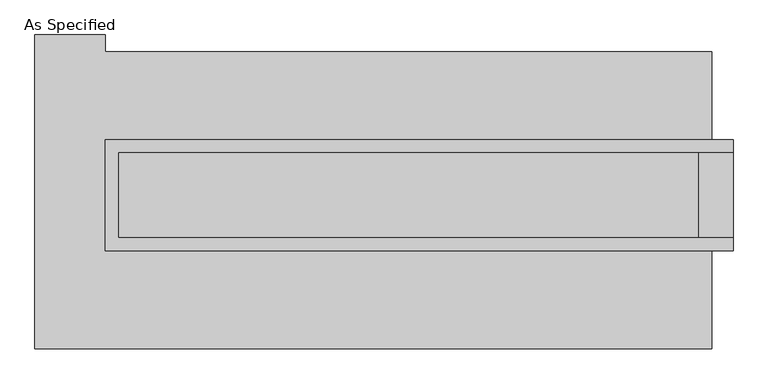
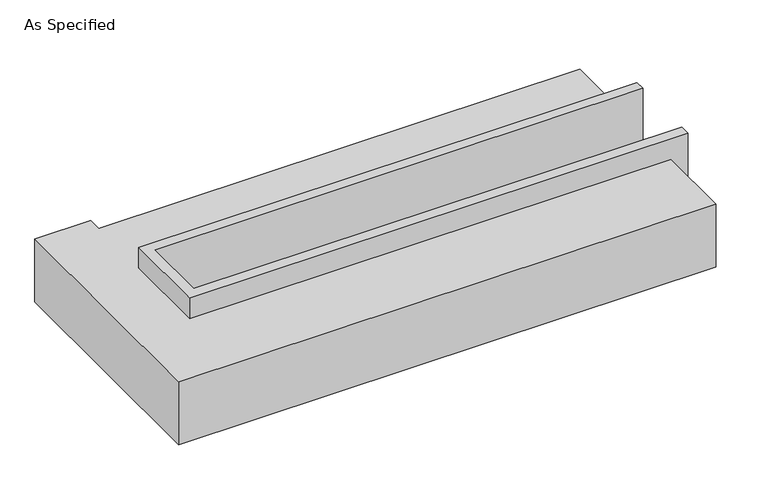
"""IFC4 building model written with IfcOpenShell, lengths in millimetres: proxy geometry, As Specified."""

from ifc_helpers import new_model, si_unit, origin, place, context, project, spatial, faceted_brep, source, transform, mapped, element, save


def as_specified_e291a416(model_context):
    return source(origin(), model_context, "Body", "Brep", [
        faceted_brep([(-1720.85, 361.95, 139.7), (-1720.85, 361.95, -393.7), (-1720.85, 285.75, -393.7), (-1720.85, 285.75, -25.4), (-1720.85, -222.25, -25.4), (-1720.85, -222.25, -393.7), (-1720.85, -298.45, -393.7), (-1720.85, -298.45, 139.7), (2012.95, 285.75, 139.7), (2012.95, 285.75, -317.5), (2012.95, -222.25, -317.5), (2012.95, -222.25, 139.7), (2012.95, -298.45, 139.7), (2012.95, -298.45, -393.7), (2012.95, 361.95, -393.7), (2012.95, 361.95, 139.7), (-1644.65, -222.25, 139.7), (-1644.65, 285.75, 139.7), (1809.75, -222.25, -393.7), (1809.75, 285.75, -393.7), (1809.75, -222.25, -317.5), (-1644.65, -222.25, -25.4), (1809.75, 285.75, -317.5), (-1644.65, 285.75, -25.4)], [[[0, 1, 2, 3, 4, 5, 6, 7]], [[8, 9, 10, 11, 12, 13, 14, 15]], [[0, 7, 12, 11, 16, 17, 8, 15]], [[1, 0, 15, 14]], [[14, 13, 6, 5, 18, 19, 2, 1]], [[7, 6, 13, 12]], [[11, 10, 20, 18, 5, 4, 21, 16]], [[10, 9, 22, 20]], [[9, 8, 17, 23, 3, 2, 19, 22]], [[18, 20, 22, 19]], [[23, 21, 4, 3]], [[17, 16, 21, 23]]]),
        faceted_brep([(1885.95, -882.65, -523.9742188), (-2139.95, -882.65, -523.9742188), (-2139.95, 984.25, -523.9742188), (-1720.85, 984.25, -523.9742188), (-1720.85, 882.65, -523.9742188), (1885.95, 882.65, -523.9742188), (-2139.95, -882.65, -25.4), (1885.95, -882.65, -25.4), (1885.95, -298.45, -25.4), (-1720.85, -298.45, -25.4), (-1720.85, 361.95, -25.4), (1885.95, 361.95, -25.4), (1885.95, 882.65, -25.4), (-1720.85, 882.65, -25.4), (-1720.85, 984.25, -25.4), (-2139.95, 984.25, -25.4), (1885.95, 361.95, -393.7), (1885.95, -298.45, -393.7), (-1720.85, -298.45, -393.7), (-1720.85, 361.95, -393.7)], [[[0, 1, 2, 3, 4, 5]], [[6, 7, 8, 9, 10, 11, 12, 13, 14, 15]], [[12, 5, 4, 13]], [[2, 1, 6, 15]], [[5, 12, 11, 16, 17, 8, 7, 0]], [[1, 0, 7, 6]], [[18, 19, 10, 9]], [[10, 19, 16, 11]], [[19, 18, 17, 16]], [[18, 9, 8, 17]], [[3, 2, 15, 14]], [[4, 3, 14, 13]]]),
    ])


if __name__ == "__main__":
    model = new_model("IFC4")
    model_context = context("Model", 3, world=origin())
    ifc_project = project(units=[si_unit("LENGTHUNIT", "METRE", prefix="MILLI")], contexts=[model_context])
    site = spatial("IfcSite", under=ifc_project)
    building = spatial("IfcBuilding", under=site)
    placement = place(None, origin())
    as_specified_shape = as_specified_e291a416(model_context)
    element("IfcBuildingElementProxy", 1, Name="As Specified", ObjectType="As Specified", at=placement, inside=building, context=model_context, shape_type="MappedRepresentation", body=[
        mapped(as_specified_shape, transform((0.0, 0.0, 0.0), x_axis=(1.0, 0.0, 0.0), y_axis=(0.0, 1.0, 0.0), z_axis=(0.0, 0.0, 1.0))),
    ])
    save(model, "model.ifc")
